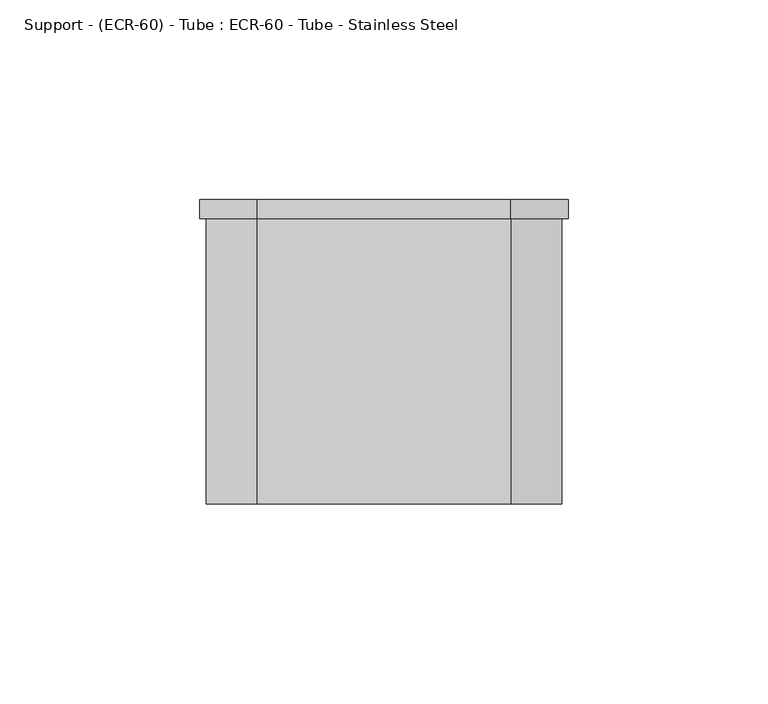
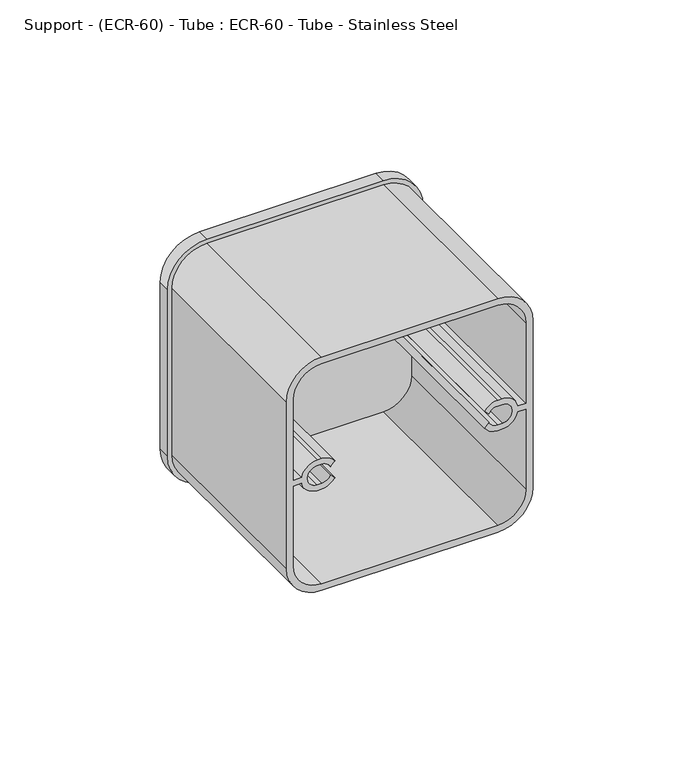
"""IFC4 building model written with IfcOpenShell, lengths in millimetres: proxy geometry, Support - (ECR-60) - Tube : ECR-60 - Tube - Stainless Steel."""

from ifc_helpers import new_model, si_unit, frame, origin, place, context, project, spatial, polyline, circle_curve, source, transform, mapped, element, save
from ifc_brep_helpers import plane_surface, cylinder_surface, revolved_surface, advanced_brep


def support_ecr_60_tube_ecr_60_tube_stainless_steel_1409e7a4(model_context):
    return source(origin(), model_context, "Body", "AdvancedBrep", [
        advanced_brep(
        [(-46.0375, 74.6125, 44.45), (-31.75, 74.6125, 30.1625), (31.75, 74.6125, 30.1625), (46.0375, 74.6125, 44.45), (46.0375, 74.6125, 107.95), (31.75, 74.6125, 122.2375), (-31.75, 74.6125, 122.2375), (-46.0375, 74.6125, 107.95), (-31.75, 74.6125, 120.65), (31.75, 74.6125, 120.65), (44.45, 74.6125, 107.95), (44.45, 74.6125, 44.45), (31.75, 74.6125, 31.75), (-31.75, 74.6125, 31.75), (-44.45, 74.6125, 44.45), (-44.45, 74.6125, 107.95), (-28.5371259, 74.6125, 77.724), (-28.194, 74.6125, 76.2), (-28.5371259, 74.6125, 74.676), (-26.8620904, 74.6125, 73.0009644), (-31.7503554, 74.6125, 70.358), (-33.290701, 74.6125, 70.3581875), (-39.0665937, 74.6125, 75.057), (-41.8703125, 74.6125, 75.057), (-41.8703125, 74.6125, 44.45), (-31.75, 74.6125, 34.3296875), (31.75, 74.6125, 34.3296875), (41.8703125, 74.6125, 44.45), (41.8703125, 74.6125, 75.057), (39.0665937, 74.6125, 75.057), (33.2921431, 74.6125, 70.3581764), (31.7525082, 74.6125, 70.3580001), (26.8620904, 74.6125, 73.0009644), (28.5371259, 74.6125, 74.676), (28.194, 74.6125, 76.2), (28.537126, 74.6125, 77.7240002), (26.8618755, 74.6125, 79.3992504), (31.7477747, 74.6125, 82.0419999), (33.2877649, 74.6125, 82.0417879), (39.0665937, 74.6125, 77.343), (41.8703125, 74.6125, 77.343), (41.8703125, 74.6125, 107.95), (31.75, 74.6125, 118.0703125), (-31.75, 74.6125, 118.0703125), (-41.8703125, 74.6125, 107.95), (-41.8703125, 74.6125, 77.343), (-39.0665937, 74.6125, 77.343), (-33.290701, 74.6125, 82.0418125), (-31.7507108, 74.6125, 82.0419999), (-26.8618755, 74.6125, 79.3992504), (-46.0375, 79.2852417, 44.45), (-46.0375, 79.2852417, 107.95), (-31.75, 79.2852417, 122.2375), (31.75, 79.2852417, 122.2375), (46.0375, 79.2852417, 107.95), (46.0375, 79.2852417, 44.45), (31.75, 79.2852417, 30.1625), (-31.75, 79.2852417, 30.1625), (-33.3375, 79.2852417, 72.644), (-31.75, 79.2852417, 72.644), (-28.5371259, 79.2852417, 74.676), (-28.194, 79.2852417, 76.2), (-28.5371259, 79.2852417, 77.724), (-31.75, 79.2852417, 79.756), (-33.3375, 79.2852417, 79.756), (31.75, 79.2852417, 72.644), (33.3375, 79.2852417, 72.644), (33.3375, 79.2852417, 79.756), (31.75, 79.2852417, 79.756), (28.537126, 79.2852417, 77.7240002), (28.194, 79.2852417, 76.2), (28.5371259, 79.2852417, 74.676), (-33.3375, 74.6125, 79.756), (-33.3375, 74.6125, 72.644), (-31.75, 74.6125, 79.756), (-31.75, 3.175, 79.756), (-33.3375, 3.175, 79.756), (-31.75, 74.6125, 72.644), (-33.3375, 3.175, 72.644), (-31.75, 3.175, 72.644), (31.75, 74.6125, 79.756), (33.3375, 74.6125, 79.756), (33.3375003, 3.175, 79.756), (31.7500003, 3.175, 79.756), (33.3375, 74.6125, 72.644), (31.75, 74.6125, 72.644), (31.7500003, 3.175, 72.644), (33.3375003, 3.175, 72.644), (31.75, 3.175, 120.65), (-31.75, 3.175, 120.65), (-44.45, 3.175, 107.95), (-44.45, 3.175, 44.45), (-31.75, 3.175, 31.75), (31.75, 3.175, 31.75), (44.45, 3.175, 44.45), (44.45, 3.175, 107.95), (31.75, 3.175, 118.0703125), (41.8703125, 3.175, 107.95), (41.8703125, 3.175, 77.343), (39.0665937, 3.175, 77.343), (33.2877649, 3.175, 82.0417879), (31.7477747, 3.175, 82.0419999), (26.8618755, 3.175, 79.3992504), (28.5371262, 3.175, 77.724), (28.537126, 3.175, 74.676), (26.8620903, 3.175, 73.0009644), (31.7525082, 3.175, 70.3580001), (33.2921431, 3.175, 70.3581764), (39.0665937, 3.175, 75.057), (41.8703125, 3.175, 75.057), (41.8703125, 3.175, 44.45), (31.75, 3.175, 34.3296875), (-31.75, 3.175, 34.3296875), (-41.8703125, 3.175, 44.45), (-41.8703125, 3.175, 75.057), (-39.0665937, 3.175, 75.057), (-33.290701, 3.175, 70.3581875), (-31.7503554, 3.175, 70.358), (-26.8620904, 3.175, 73.0009644), (-28.5371259, 3.175, 74.676), (-28.5371259, 3.175, 77.724), (-26.8618755, 3.175, 79.3992504), (-31.7507108, 3.175, 82.0419999), (-33.290701, 3.175, 82.0418125), (-39.0665937, 3.175, 77.343), (-41.8703125, 3.175, 77.343), (-41.8703125, 3.175, 107.95), (-31.75, 3.175, 118.0703125)],
        [
            (0, 1, circle_curve(frame((-31.75, 74.6125, 44.45), z_axis=(0.0, -1.0, 0.0), x_axis=(1.0, 0.0, 0.0)), 14.2875)),
            (1, 2),
            (2, 3, circle_curve(frame((31.75, 74.6125, 44.45), z_axis=(0.0, -1.0, 0.0), x_axis=(1.0, 0.0, 0.0)), 14.2875)),
            (3, 4),
            (4, 5, circle_curve(frame((31.75, 74.6125, 107.95), z_axis=(0.0, -1.0, 0.0), x_axis=(1.0, 0.0, 0.0)), 14.2875)),
            (5, 6),
            (6, 7, circle_curve(frame((-31.75, 74.6125, 107.95), z_axis=(0.0, -1.0, 0.0), x_axis=(1.0, 0.0, 0.0)), 14.2875)),
            (7, 0),
            (8, 9),
            (9, 10, circle_curve(frame((31.75, 74.6125, 107.95), z_axis=(0.0, 1.0, 0.0), x_axis=(1.0, 0.0, 0.0)), 12.7)),
            (10, 11),
            (11, 12, circle_curve(frame((31.75, 74.6125, 44.45), z_axis=(0.0, 1.0, 0.0), x_axis=(1.0, 0.0, 0.0)), 12.7)),
            (12, 13),
            (13, 14, circle_curve(frame((-31.75, 74.6125, 44.45), z_axis=(0.0, 1.0, 0.0), x_axis=(1.0, 0.0, 0.0)), 12.7)),
            (14, 15),
            (15, 8, circle_curve(frame((-31.75, 74.6125, 107.95), z_axis=(0.0, 1.0, 0.0), x_axis=(1.0, 0.0, 0.0)), 12.7)),
            (16, 17, circle_curve(frame((-31.75, 74.6125, 76.2), z_axis=(0.0, 1.0, 0.0), x_axis=(1.0, 0.0, 0.0)), 3.556)),
            (17, 18, circle_curve(frame((-31.75, 74.6125, 76.2), z_axis=(0.0, 1.0, 0.0), x_axis=(1.0, 0.0, 0.0)), 3.556)),
            (18, 19),
            (19, 20, circle_curve(frame((-31.7503554, 74.6125, 76.2), z_axis=(0.0, 1.0, 0.0), x_axis=(1.0, 0.0, 0.0)), 5.842)),
            (20, 21),
            (21, 22, circle_curve(frame((-33.3375, 74.6125, 76.2), z_axis=(0.0, 1.0, 0.0), x_axis=(1.0, 0.0, 0.0)), 5.842)),
            (22, 23),
            (23, 24),
            (24, 25, circle_curve(frame((-31.75, 74.6125, 44.45), z_axis=(0.0, -1.0, 0.0), x_axis=(1.0, 0.0, 0.0)), 10.1203125)),
            (25, 26),
            (26, 27, circle_curve(frame((31.75, 74.6125, 44.45), z_axis=(0.0, -1.0, 0.0), x_axis=(1.0, 0.0, 0.0)), 10.1203125)),
            (27, 28),
            (28, 29),
            (29, 30, circle_curve(frame((33.3375003, 74.6125, 76.1999999), z_axis=(0.0, 1.0, 0.0), x_axis=(1.0, 0.0, 0.0)), 5.8419997)),
            (30, 31),
            (31, 32, circle_curve(frame((31.7503557, 74.6125, 76.2), z_axis=(0.0, 1.0, 0.0), x_axis=(1.0, 0.0, 0.0)), 5.8420002)),
            (32, 33),
            (33, 34, circle_curve(frame((31.75, 74.6125, 76.2), z_axis=(0.0, 1.0, 0.0), x_axis=(1.0, 0.0, 0.0)), 3.556)),
            (34, 35, circle_curve(frame((31.75, 74.6125, 76.2), z_axis=(0.0, 1.0, 0.0), x_axis=(1.0, 0.0, 0.0)), 3.556)),
            (35, 36),
            (36, 37, circle_curve(frame((31.7500003, 74.6125, 76.2), z_axis=(0.0, 1.0, 0.0), x_axis=(1.0, 0.0, 0.0)), 5.8420003)),
            (37, 38),
            (38, 39, circle_curve(frame((33.3375003, 74.6125, 76.1999999), z_axis=(0.0, 1.0, 0.0), x_axis=(1.0, 0.0, 0.0)), 5.8419997)),
            (39, 40),
            (40, 41),
            (41, 42, circle_curve(frame((31.75, 74.6125, 107.95), z_axis=(0.0, -1.0, 0.0), x_axis=(1.0, 0.0, 0.0)), 10.1203125)),
            (42, 43),
            (43, 44, circle_curve(frame((-31.75, 74.6125, 107.95), z_axis=(0.0, -1.0, 0.0), x_axis=(1.0, 0.0, 0.0)), 10.1203125)),
            (44, 45),
            (45, 46),
            (46, 47, circle_curve(frame((-33.3375, 74.6125, 76.2), z_axis=(0.0, 1.0, 0.0), x_axis=(1.0, 0.0, 0.0)), 5.842)),
            (47, 48),
            (48, 49, circle_curve(frame((-31.75, 74.6125, 76.2), z_axis=(0.0, 1.0, 0.0), x_axis=(1.0, 0.0, 0.0)), 5.842)),
            (49, 16),
            (50, 51),
            (51, 52, circle_curve(frame((-31.75, 79.2852417, 107.95), z_axis=(0.0, 1.0, 0.0), x_axis=(1.0, 0.0, 0.0)), 14.2875)),
            (52, 53),
            (53, 54, circle_curve(frame((31.75, 79.2852417, 107.95), z_axis=(0.0, 1.0, 0.0), x_axis=(1.0, 0.0, 0.0)), 14.2875)),
            (54, 55),
            (55, 56, circle_curve(frame((31.75, 79.2852417, 44.45), z_axis=(0.0, 1.0, 0.0), x_axis=(1.0, 0.0, 0.0)), 14.2875)),
            (56, 57),
            (57, 50, circle_curve(frame((-31.75, 79.2852417, 44.45), z_axis=(0.0, 1.0, 0.0), x_axis=(1.0, 0.0, 0.0)), 14.2875)),
            (58, 59),
            (59, 60, circle_curve(frame((-31.75, 79.2852417, 76.2), z_axis=(0.0, -1.0, 0.0), x_axis=(1.0, 0.0, 0.0)), 3.556)),
            (60, 61, circle_curve(frame((-31.75, 79.2852417, 76.2), z_axis=(0.0, -1.0, 0.0), x_axis=(1.0, 0.0, 0.0)), 3.556)),
            (61, 62, circle_curve(frame((-31.75, 79.2852417, 76.2), z_axis=(0.0, -1.0, 0.0), x_axis=(1.0, 0.0, 0.0)), 3.556)),
            (62, 63, circle_curve(frame((-31.75, 79.2852417, 76.2), z_axis=(0.0, -1.0, 0.0), x_axis=(1.0, 0.0, 0.0)), 3.556)),
            (63, 64),
            (64, 58, circle_curve(frame((-33.3375, 79.2852417, 76.2), z_axis=(0.0, -1.0, 0.0), x_axis=(1.0, 0.0, 0.0)), 3.556)),
            (65, 66),
            (66, 67, circle_curve(frame((33.3375, 79.2852417, 76.2), z_axis=(0.0, -1.0, 0.0), x_axis=(1.0, 0.0, 0.0)), 3.556)),
            (67, 68),
            (68, 69, circle_curve(frame((31.75, 79.2852417, 76.2), z_axis=(0.0, -1.0, 0.0), x_axis=(1.0, 0.0, 0.0)), 3.556)),
            (69, 70, circle_curve(frame((31.75, 79.2852417, 76.2), z_axis=(0.0, -1.0, 0.0), x_axis=(1.0, 0.0, 0.0)), 3.556)),
            (70, 71, circle_curve(frame((31.75, 79.2852417, 76.2), z_axis=(0.0, -1.0, 0.0), x_axis=(1.0, 0.0, 0.0)), 3.556)),
            (71, 65, circle_curve(frame((31.75, 79.2852417, 76.2), z_axis=(0.0, -1.0, 0.0), x_axis=(1.0, 0.0, 0.0)), 3.556)),
            (0, 50),
            (57, 1),
            (56, 2),
            (55, 3),
            (54, 4),
            (53, 5),
            (52, 6),
            (51, 7),
            (64, 72),
            (72, 73, circle_curve(frame((-33.3375, 74.6125, 76.2), z_axis=(0.0, -1.0, 0.0), x_axis=(1.0, 0.0, 0.0)), 3.556)),
            (73, 58),
            (63, 74),
            (74, 75),
            (75, 76),
            (76, 72),
            (61, 17),
            (16, 74, circle_curve(frame((-31.75, 74.6125, 76.2), z_axis=(0.0, -1.0, 0.0), x_axis=(1.0, 0.0, 0.0)), 3.556)),
            (59, 77),
            (77, 18, circle_curve(frame((-31.75, 74.6125, 76.2), z_axis=(0.0, -1.0, 0.0), x_axis=(1.0, 0.0, 0.0)), 3.556)),
            (73, 78),
            (78, 79),
            (79, 77),
            (34, 70),
            (68, 80),
            (80, 35, circle_curve(frame((31.75, 74.6125, 76.2), z_axis=(0.0, -1.0, 0.0), x_axis=(1.0, 0.0, 0.0)), 3.556)),
            (67, 81),
            (81, 82),
            (82, 83),
            (83, 80),
            (66, 84),
            (84, 81, circle_curve(frame((33.3375, 74.6125, 76.2), z_axis=(0.0, -1.0, 0.0), x_axis=(1.0, 0.0, 0.0)), 3.556)),
            (65, 85),
            (85, 86),
            (86, 87),
            (87, 84),
            (33, 85, circle_curve(frame((31.75, 74.6125, 76.2), z_axis=(0.0, -1.0, 0.0), x_axis=(1.0, 0.0, 0.0)), 3.556)),
            (88, 89),
            (89, 90, circle_curve(frame((-31.75, 3.175, 107.95), z_axis=(0.0, -1.0, 0.0), x_axis=(1.0, 0.0, 0.0)), 12.7)),
            (90, 91),
            (91, 92, circle_curve(frame((-31.75, 3.175, 44.45), z_axis=(0.0, -1.0, 0.0), x_axis=(1.0, 0.0, 0.0)), 12.7)),
            (92, 93),
            (93, 94, circle_curve(frame((31.75, 3.175, 44.45), z_axis=(0.0, -1.0, 0.0), x_axis=(1.0, 0.0, 0.0)), 12.7)),
            (94, 95),
            (95, 88, circle_curve(frame((31.75, 3.175, 107.95), z_axis=(0.0, -1.0, 0.0), x_axis=(1.0, 0.0, 0.0)), 12.7)),
            (96, 97, circle_curve(frame((31.75, 3.175, 107.95), z_axis=(0.0, 1.0, 0.0), x_axis=(1.0, 0.0, 0.0)), 10.1203125)),
            (97, 98),
            (98, 99),
            (99, 100, circle_curve(frame((33.3375003, 3.175, 76.1999999), z_axis=(0.0, -1.0, 0.0), x_axis=(1.0, 0.0, 0.0)), 5.8419997)),
            (100, 101),
            (101, 102, circle_curve(frame((31.7500003, 3.175, 76.2), z_axis=(0.0, -1.0, 0.0), x_axis=(1.0, 0.0, 0.0)), 5.8420003)),
            (102, 103),
            (103, 83, circle_curve(frame((31.7500003, 3.175, 76.2), z_axis=(0.0, 1.0, 0.0), x_axis=(1.0, 0.0, 0.0)), 3.556)),
            (82, 87, circle_curve(frame((33.3375003, 3.175, 76.1999999), z_axis=(0.0, 1.0, 0.0), x_axis=(1.0, 0.0, 0.0)), 3.5560001)),
            (86, 104, circle_curve(frame((31.7500003, 3.175, 76.2), z_axis=(0.0, 1.0, 0.0), x_axis=(1.0, 0.0, 0.0)), 3.5560002)),
            (104, 105),
            (105, 106, circle_curve(frame((31.7503557, 3.175, 76.2), z_axis=(0.0, -1.0, 0.0), x_axis=(1.0, 0.0, 0.0)), 5.8420002)),
            (106, 107),
            (107, 108, circle_curve(frame((33.3375003, 3.175, 76.1999999), z_axis=(0.0, -1.0, 0.0), x_axis=(1.0, 0.0, 0.0)), 5.8419997)),
            (108, 109),
            (109, 110),
            (110, 111, circle_curve(frame((31.75, 3.175, 44.45), z_axis=(0.0, 1.0, 0.0), x_axis=(1.0, 0.0, 0.0)), 10.1203125)),
            (111, 112),
            (112, 113, circle_curve(frame((-31.75, 3.175, 44.45), z_axis=(0.0, 1.0, 0.0), x_axis=(1.0, 0.0, 0.0)), 10.1203125)),
            (113, 114),
            (114, 115),
            (115, 116, circle_curve(frame((-33.3375, 3.175, 76.2), z_axis=(0.0, -1.0, 0.0), x_axis=(1.0, 0.0, 0.0)), 5.842)),
            (116, 117),
            (117, 118, circle_curve(frame((-31.7503554, 3.175, 76.2), z_axis=(0.0, -1.0, 0.0), x_axis=(1.0, 0.0, 0.0)), 5.842)),
            (118, 119),
            (119, 79, circle_curve(frame((-31.75, 3.175, 76.2), z_axis=(0.0, 1.0, 0.0), x_axis=(1.0, 0.0, 0.0)), 3.556)),
            (78, 76, circle_curve(frame((-33.3375, 3.175, 76.2), z_axis=(0.0, 1.0, 0.0), x_axis=(1.0, 0.0, 0.0)), 3.556)),
            (75, 120, circle_curve(frame((-31.75, 3.175, 76.2), z_axis=(0.0, 1.0, 0.0), x_axis=(1.0, 0.0, 0.0)), 3.556)),
            (120, 121),
            (121, 122, circle_curve(frame((-31.75, 3.175, 76.2), z_axis=(0.0, -1.0, 0.0), x_axis=(1.0, 0.0, 0.0)), 5.842)),
            (122, 123),
            (123, 124, circle_curve(frame((-33.3375, 3.175, 76.2), z_axis=(0.0, -1.0, 0.0), x_axis=(1.0, 0.0, 0.0)), 5.842)),
            (124, 125),
            (125, 126),
            (126, 127, circle_curve(frame((-31.75, 3.175, 107.95), z_axis=(0.0, 1.0, 0.0), x_axis=(1.0, 0.0, 0.0)), 10.1203125)),
            (127, 96),
            (88, 9),
            (8, 89),
            (15, 90),
            (14, 91),
            (13, 92),
            (12, 93),
            (11, 94),
            (10, 95),
            (96, 42),
            (41, 97),
            (40, 98),
            (110, 27),
            (26, 111),
            (25, 112),
            (24, 113),
            (23, 114),
            (126, 44),
            (43, 127),
            (39, 99),
            (38, 100),
            (37, 101),
            (36, 102),
            (35, 103),
            (33, 104),
            (32, 105),
            (31, 106),
            (30, 107),
            (29, 108),
            (28, 109),
            (22, 115),
            (21, 116),
            (20, 117),
            (19, 118),
            (18, 119),
            (16, 120),
            (49, 121),
            (48, 122),
            (47, 123),
            (46, 124),
            (45, 125),
        ],
        [
            plane_surface(frame((-17.4625, 74.6125, 44.45), z_axis=(0.0, -1.0, 0.0), x_axis=(0.0, 0.0, 1.0))),
            plane_surface(frame((-17.4625, 79.2852417, 44.45), z_axis=(0.0, 1.0, 0.0), x_axis=(0.0, 0.0, -1.0))),
            cylinder_surface(frame((-31.75, 79.2852417, 44.45), z_axis=(0.0, -1.0, 0.0), x_axis=(1.0, 0.0, 0.0)), 14.2875),
            plane_surface(frame((-31.75, 74.6125, 30.1625), z_axis=(0.0, 0.0, -1.0), x_axis=(0.0, 1.0, 0.0))),
            cylinder_surface(frame((31.75, 79.2852417, 44.45), z_axis=(0.0, -1.0, 0.0), x_axis=(1.0, 0.0, 0.0)), 14.2875),
            plane_surface(frame((46.0375, 74.6125, 44.45), z_axis=(1.0, 0.0, 0.0), x_axis=(0.0, 1.0, 0.0))),
            cylinder_surface(frame((31.75, 79.2852417, 107.95), z_axis=(0.0, -1.0, 0.0), x_axis=(1.0, 0.0, 0.0)), 14.2875),
            plane_surface(frame((31.75, 74.6125, 122.2375), z_axis=(0.0, 0.0, 1.0), x_axis=(0.0, 1.0, 0.0))),
            cylinder_surface(frame((-31.75, 79.2852417, 107.95), z_axis=(0.0, -1.0, 0.0), x_axis=(1.0, 0.0, 0.0)), 14.2875),
            plane_surface(frame((-46.0375, 74.6125, 107.95), z_axis=(-1.0, 0.0, 0.0), x_axis=(0.0, 1.0, 0.0))),
            revolved_surface(polyline([(-29.781499999999998, 79.2852417, 76.2), (-29.781499999999998, 74.6125, 76.2)]), (-33.3375, 0.0, 76.2), (0.0, 1.0, 0.0)),
            plane_surface(frame((-33.3375, 74.6125, 79.756), z_axis=(0.0, 0.0, -1.0), x_axis=(0.0, 1.0, 0.0))),
            revolved_surface(polyline([(-28.194, 79.2852417, 76.2), (-28.194, 74.6125, 76.2)]), (-31.75, 0.0, 76.2), (0.0, 1.0, 0.0)),
            plane_surface(frame((-31.75, 74.6125, 72.644), z_axis=(0.0, 0.0, 1.0), x_axis=(0.0, 1.0, 0.0))),
            revolved_surface(polyline([(35.306, 79.2852417, 76.2), (35.306, 74.6125, 76.2)]), (31.75, 0.0, 76.2), (0.0, 1.0, 0.0)),
            plane_surface(frame((31.75, 74.6125, 79.756), z_axis=(0.0, 0.0, -1.0), x_axis=(0.0, 1.0, 0.0))),
            revolved_surface(polyline([(36.893499999999996, 79.2852417, 76.2), (36.893499999999996, 74.6125, 76.2)]), (33.3375, 0.0, 76.2), (0.0, 1.0, 0.0)),
            plane_surface(frame((33.3375, 74.6125, 72.644), z_axis=(0.0, 0.0, 1.0), x_axis=(0.0, 1.0, 0.0))),
            plane_surface(frame((-31.75, 3.175, 120.65), z_axis=(0.0, -1.0, 0.0), x_axis=(-1.0, 0.0, 0.0))),
            plane_surface(frame((31.75, 3.175, 120.65), z_axis=(0.0, 0.0, 1.0), x_axis=(0.0, 1.0, 0.0))),
            cylinder_surface(frame((-31.75, 79.2852417, 107.95), z_axis=(0.0, -1.0, 0.0), x_axis=(1.0, 0.0, 0.0)), 12.7),
            plane_surface(frame((-44.45, 3.175, 107.95), z_axis=(-1.0, 0.0, 0.0), x_axis=(0.0, 1.0, 0.0))),
            cylinder_surface(frame((-31.75, 79.2852417, 44.45), z_axis=(0.0, -1.0, 0.0), x_axis=(1.0, 0.0, 0.0)), 12.7),
            plane_surface(frame((-31.75, 3.175, 31.75), z_axis=(0.0, 0.0, -1.0), x_axis=(0.0, 1.0, 0.0))),
            cylinder_surface(frame((31.75, 79.2852417, 44.45), z_axis=(0.0, -1.0, 0.0), x_axis=(1.0, 0.0, 0.0)), 12.7),
            plane_surface(frame((44.45, 3.175, 44.45), z_axis=(1.0, 0.0, 0.0), x_axis=(0.0, 1.0, 0.0))),
            cylinder_surface(frame((31.75, 79.2852417, 107.95), z_axis=(0.0, -1.0, 0.0), x_axis=(1.0, 0.0, 0.0)), 12.7),
            revolved_surface(polyline([(41.8703125, 74.6125, 107.95), (41.8703125, 3.175, 107.95)]), (31.75, 0.0, 107.95), (0.0, 1.0, 0.0)),
            plane_surface(frame((41.8703125, 3.175, 107.95), z_axis=(-1.0, 0.0, 0.0), x_axis=(0.0, 1.0, 0.0))),
            revolved_surface(polyline([(41.8703125, 74.6125, 44.45), (41.8703125, 3.175, 44.45)]), (31.75, 0.0, 44.45), (0.0, 1.0, 0.0)),
            plane_surface(frame((31.75, 3.175, 34.3296875), z_axis=(0.0, 0.0, 1.0), x_axis=(0.0, 1.0, 0.0))),
            revolved_surface(polyline([(-21.6296875, 74.6125, 44.45), (-21.6296875, 3.175, 44.45)]), (-31.75, 0.0, 44.45), (0.0, 1.0, 0.0)),
            plane_surface(frame((-41.8703125, 3.175, 44.45), z_axis=(1.0, 0.0, 0.0), x_axis=(0.0, 1.0, 0.0))),
            revolved_surface(polyline([(-21.6296875, 74.6125, 107.95), (-21.6296875, 3.175, 107.95)]), (-31.75, 0.0, 107.95), (0.0, 1.0, 0.0)),
            plane_surface(frame((-31.75, 3.175, 118.0703125), z_axis=(0.0, 0.0, -1.0), x_axis=(0.0, 1.0, 0.0))),
            plane_surface(frame((41.8703125, 3.175, 77.343), z_axis=(0.0, 0.0, 1.0), x_axis=(0.0, 1.0, 0.0))),
            cylinder_surface(frame((33.3375003, 0.0, 76.1999999), z_axis=(0.0, -1.0, 0.0), x_axis=(1.0, 0.0, 0.0)), 5.8419997),
            plane_surface(frame((33.2877649, 3.175, 82.0417879), z_axis=(0.00013765906583052353, 0.0, 0.9999999905249908), x_axis=(0.0, 1.0, 0.0))),
            cylinder_surface(frame((31.7500003, 0.0, 76.2), z_axis=(0.0, -1.0, 0.0), x_axis=(1.0, 0.0, 0.0)), 5.8420003),
            plane_surface(frame((26.8618755, 3.175, 79.3992504), z_axis=(-0.7071067093463317, 0.0, -0.707106853026756), x_axis=(0.0, 1.0, 0.0))),
            revolved_surface(polyline([(35.3060003, 74.6125, 76.2), (35.3060003, 3.175, 76.2)]), (31.7500003, 0.0, 76.2), (0.0, 1.0, 0.0)),
            revolved_surface(polyline([(36.8935004, 74.6125, 76.1999999), (36.8935004, 3.175, 76.1999999)]), (33.3375003, 0.0, 76.1999999), (0.0, 1.0, 0.0)),
            revolved_surface(polyline([(35.3060005, 74.6125, 76.2), (35.3060005, 3.175, 76.2)]), (31.7500003, 0.0, 76.2), (0.0, 1.0, 0.0)),
            plane_surface(frame((28.537126, 3.175, 74.676), z_axis=(-0.7071067724091777, 0.0, 0.7071067899639173), x_axis=(0.0, 1.0, 0.0))),
            cylinder_surface(frame((31.7503557, 0.0, 76.2), z_axis=(0.0, -1.0, 0.0), x_axis=(1.0, 0.0, 0.0)), 5.8420002),
            plane_surface(frame((31.7525082, 3.175, 70.3580001), z_axis=(0.00011446084591943655, 0.0, -0.9999999934493574), x_axis=(0.0, 1.0, 0.0))),
            plane_surface(frame((39.0665937, 3.175, 75.057), z_axis=(0.0, 0.0, -1.0), x_axis=(0.0, 1.0, 0.0))),
            plane_surface(frame((41.8703125, 3.175, 75.057), z_axis=(-1.0, 0.0, 0.0), x_axis=(0.0, 1.0, 0.0))),
            plane_surface(frame((-41.8703125, 3.175, 75.057), z_axis=(0.0, 0.0, -1.0), x_axis=(0.0, 1.0, 0.0))),
            cylinder_surface(frame((-33.3375, 0.0, 76.2), z_axis=(0.0, -1.0, 0.0), x_axis=(1.0, 0.0, 0.0)), 5.842),
            plane_surface(frame((-33.290701, 3.175, 70.3581875), z_axis=(-0.00012166618327807072, 0.0, -0.9999999925986699), x_axis=(0.0, 1.0, 0.0))),
            cylinder_surface(frame((-31.7503554, 0.0, 76.2), z_axis=(0.0, -1.0, 0.0), x_axis=(1.0, 0.0, 0.0)), 5.842),
            plane_surface(frame((-26.8620904, 3.175, 73.0009644), z_axis=(0.7071067861481475, 0.0, 0.7071067762249477), x_axis=(0.0, 1.0, 0.0))),
            revolved_surface(polyline([(-28.194, 74.6125, 76.2), (-28.194, 3.175, 76.2)]), (-31.75, 0.0, 76.2), (0.0, 1.0, 0.0)),
            revolved_surface(polyline([(-29.781499999999998, 74.6125, 76.2), (-29.781499999999998, 3.175, 76.2)]), (-33.3375, 0.0, 76.2), (0.0, 1.0, 0.0)),
            plane_surface(frame((-28.5371259, 3.175, 77.724), z_axis=(0.7071067811865448, 0.0, -0.7071067811865502), x_axis=(0.0, 1.0, 0.0))),
            cylinder_surface(frame((-31.75, 0.0, 76.2), z_axis=(0.0, -1.0, 0.0), x_axis=(1.0, 0.0, 0.0)), 5.842),
            plane_surface(frame((-31.7507108, 3.175, 82.0419999), z_axis=(-0.00012167987952664052, 0.0, 0.9999999925970035), x_axis=(0.0, 1.0, 0.0))),
            plane_surface(frame((-39.0665937, 3.175, 77.343), z_axis=(1.3155799370486335e-12, 0.0, 1.0), x_axis=(0.0, 1.0, 0.0))),
            plane_surface(frame((-41.8703125, 3.175, 77.343), z_axis=(1.0, 0.0, 0.0), x_axis=(0.0, 1.0, 0.0))),
        ],
        [
            (0, [[1, 2, 3, 4, 5, 6, 7, 8], [9, 10, 11, 12, 13, 14, 15, 16]]),
            (0, [[17, 18, 19, 20, 21, 22, 23, 24, 25, 26, 27, 28, 29, 30, 31, 32, 33, 34, 35, 36, 37, 38, 39, 40, 41, 42, 43, 44, 45, 46, 47, 48, 49, 50]]),
            (1, [[51, 52, 53, 54, 55, 56, 57, 58], [59, 60, 61, 62, 63, 64, 65], [66, 67, 68, 69, 70, 71, 72]]),
            (2, [[-1, 73, -58, 74]]),
            (3, [[-2, -74, -57, 75]]),
            (4, [[-3, -75, -56, 76]]),
            (5, [[-4, -76, -55, 77]]),
            (6, [[-5, -77, -54, 78]]),
            (7, [[-6, -78, -53, 79]]),
            (8, [[-7, -79, -52, 80]]),
            (9, [[-8, -80, -51, -73]]),
            (10, [[-65, 81, 82, 83]]),
            (11, [[-64, 84, 85, 86, 87, -81]]),
            (12, [[-84, -63, -62, 88, -17, 89]]),
            (12, [[-88, -61, -60, 90, 91, -18]]),
            (13, [[-59, -83, 92, 93, 94, -90]]),
            (14, [[95, -70, -69, 96, 97, -35]]),
            (15, [[-68, 98, 99, 100, 101, -96]]),
            (16, [[-67, 102, 103, -98]]),
            (17, [[-66, 104, 105, 106, 107, -102]]),
            (14, [[-95, -34, 108, -104, -72, -71]]),
            (18, [[109, 110, 111, 112, 113, 114, 115, 116], [117, 118, 119, 120, 121, 122, 123, 124, -100, 125, -106, 126, 127, 128, 129, 130, 131, 132, 133, 134, 135, 136, 137, 138, 139, 140, 141, 142, -93, 143, -86, 144, 145, 146, 147, 148, 149, 150, 151, 152]]),
            (19, [[-109, 153, -9, 154]]),
            (20, [[-110, -154, -16, 155]]),
            (21, [[-111, -155, -15, 156]]),
            (22, [[-112, -156, -14, 157]]),
            (23, [[-113, -157, -13, 158]]),
            (24, [[-114, -158, -12, 159]]),
            (25, [[-115, -159, -11, 160]]),
            (26, [[-116, -160, -10, -153]]),
            (27, [[-117, 161, -42, 162]]),
            (28, [[-118, -162, -41, 163]]),
            (29, [[-133, 164, -27, 165]]),
            (30, [[-134, -165, -26, 166]]),
            (31, [[-135, -166, -25, 167]]),
            (32, [[-136, -167, -24, 168]]),
            (33, [[-151, 169, -44, 170]]),
            (34, [[-152, -170, -43, -161]]),
            (35, [[-119, -163, -40, 171]]),
            (36, [[-120, -171, -39, 172]]),
            (37, [[-121, -172, -38, 173]]),
            (38, [[-122, -173, -37, 174]]),
            (39, [[-123, -174, -36, 175]]),
            (40, [[-124, -175, -97, -101]]),
            (41, [[-125, -99, -103, -107]]),
            (42, [[-126, -105, -108, 176]]),
            (43, [[-127, -176, -33, 177]]),
            (44, [[-128, -177, -32, 178]]),
            (45, [[-129, -178, -31, 179]]),
            (36, [[-130, -179, -30, 180]]),
            (46, [[-131, -180, -29, 181]]),
            (47, [[-132, -181, -28, -164]]),
            (48, [[-137, -168, -23, 182]]),
            (49, [[-138, -182, -22, 183]]),
            (50, [[-139, -183, -21, 184]]),
            (51, [[-140, -184, -20, 185]]),
            (52, [[-141, -185, -19, 186]]),
            (53, [[-142, -186, -91, -94]]),
            (54, [[-143, -92, -82, -87]]),
            (53, [[-144, -85, -89, 187]]),
            (55, [[-145, -187, -50, 188]]),
            (56, [[-146, -188, -49, 189]]),
            (57, [[-147, -189, -48, 190]]),
            (49, [[-148, -190, -47, 191]]),
            (58, [[-149, -191, -46, 192]]),
            (59, [[-150, -192, -45, -169]]),
        ],
    ),
    ])


if __name__ == "__main__":
    model = new_model("IFC4")
    model_context = context("Model", 3, world=origin())
    ifc_project = project(units=[si_unit("LENGTHUNIT", "METRE", prefix="MILLI")], contexts=[model_context])
    site = spatial("IfcSite", under=ifc_project)
    building = spatial("IfcBuilding", under=site)
    placement = place(None, origin())
    support_ecr_60_tube_ecr_60_tube_stainless_steel_shape = support_ecr_60_tube_ecr_60_tube_stainless_steel_1409e7a4(model_context)
    element("IfcBuildingElementProxy", 1, Name="Support - (ECR-60) - Tube : ECR-60 - Tube - Stainless Steel", ObjectType="Support - (ECR-60) - Tube : ECR-60 - Tube - Stainless Steel", at=placement, inside=building, context=model_context, shape_type="MappedRepresentation", body=[
        mapped(support_ecr_60_tube_ecr_60_tube_stainless_steel_shape, transform((0.0, 0.0, 0.0), x_axis=(1.0, 0.0, 0.0), y_axis=(0.0, 1.0, 0.0), z_axis=(0.0, 0.0, 1.0))),
    ])
    save(model, "model.ifc")
